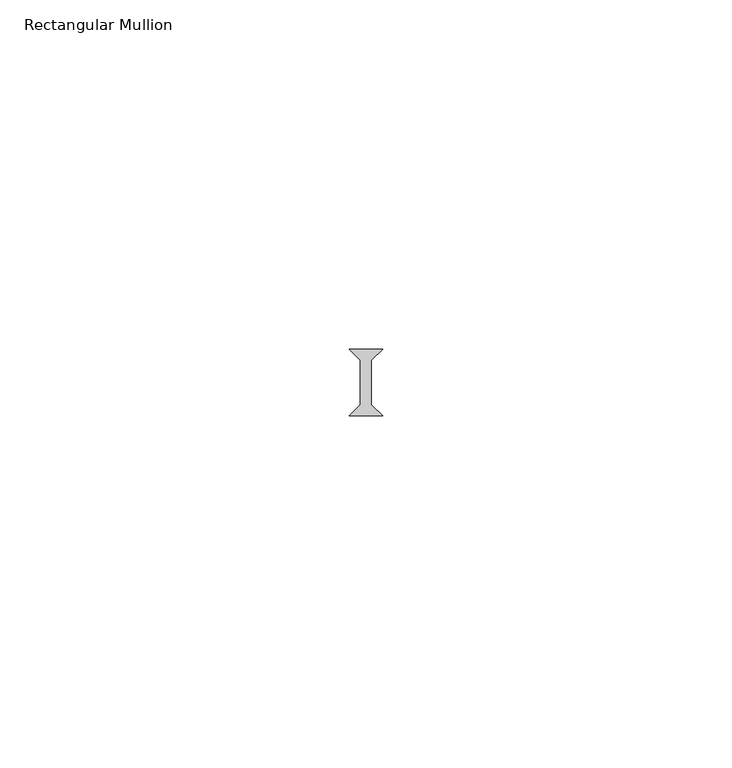
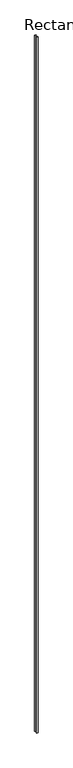
"""IFC4 building model written with IfcOpenShell, lengths in millimetres: member geometry, Rectangular Mullion."""

from ifc_helpers import new_model, si_unit, frame, origin, place, context, project, spatial, polyline, outline, extrude, source, transform, mapped, element, save


def rectangular_mullion_aeb722cd(model_context):
    return source(origin(), model_context, "Body", "SweptSolid", [
        extrude(outline(polyline([(-2.38125, 25.4), (-0.79375, 26.9875), (-0.79375, 33.3375), (-2.38125, 34.925), (2.38125, 34.925), (0.79375, 33.3375), (0.79375, 26.9875), (2.38125, 25.4), (-2.38125, 25.4)])), frame((0.0, 0.0, -2336.8), z_axis=(0.0, 0.0, 1.0), x_axis=(1.0, 0.0, 0.0)), (0.0, 0.0, 1.0), 2336.8),
    ])


if __name__ == "__main__":
    model = new_model("IFC4")
    model_context = context("Model", 3, world=origin())
    ifc_project = project(units=[si_unit("LENGTHUNIT", "METRE", prefix="MILLI")], contexts=[model_context])
    site = spatial("IfcSite", under=ifc_project)
    building = spatial("IfcBuilding", under=site)
    placement = place(None, origin())
    rectangular_mullion_shape = rectangular_mullion_aeb722cd(model_context)
    element("IfcMember", 1, ObjectType="Rectangular Mullion", at=placement, inside=building, context=model_context, shape_type="MappedRepresentation", body=[
        mapped(rectangular_mullion_shape, transform((0.0, 0.0, 0.0), x_axis=(1.0, 0.0, 0.0), y_axis=(0.0, 1.0, 0.0), z_axis=(0.0, 0.0, 1.0))),
    ])
    save(model, "model.ifc")
